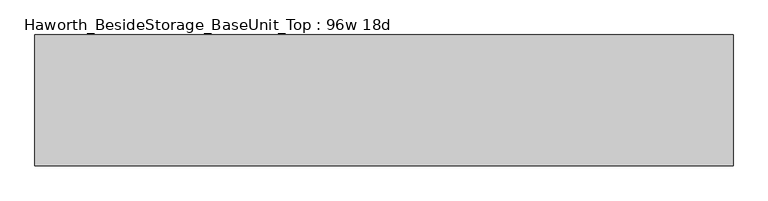
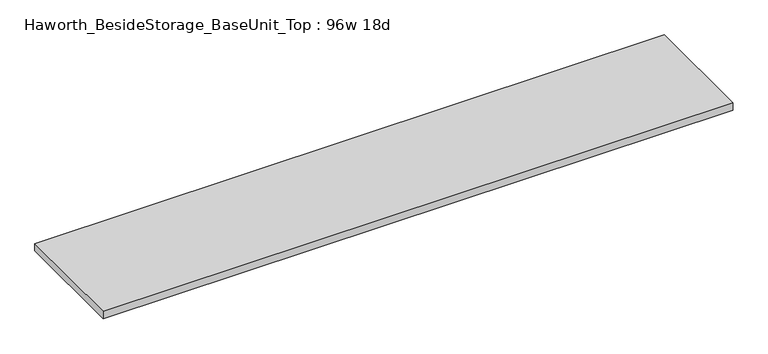
"""IFC4 building model written with IfcOpenShell, lengths in millimetres: furniture geometry, Haworth_BesideStorage_BaseUnit_Top : 96w 18d."""

from ifc_helpers import new_model, si_unit, frame, origin, place, context, project, spatial, polyline, outline, extrude, source, transform, mapped, element, save


def haworth_besidestorage_baseunit_top_96w_18d_567cc7db(model_context):
    return source(origin(), model_context, "Body", "SweptSolid", [
        extrude(outline(polyline([(1219.2, 228.6), (1219.2, -228.6), (-1219.2, -228.6), (-1219.2, 228.6), (1219.2, 228.6)])), frame((0.0, 0.0, 706.4375), z_axis=(0.0, 0.0, 1.0), x_axis=(1.0, 0.0, 0.0)), (0.0, 0.0, 1.0), 30.1625),
    ])


if __name__ == "__main__":
    model = new_model("IFC4")
    model_context = context("Model", 3, world=origin())
    ifc_project = project(units=[si_unit("LENGTHUNIT", "METRE", prefix="MILLI")], contexts=[model_context])
    site = spatial("IfcSite", under=ifc_project)
    building = spatial("IfcBuilding", under=site)
    placement = place(None, origin())
    haworth_besidestorage_baseunit_top_96w_18d_shape = haworth_besidestorage_baseunit_top_96w_18d_567cc7db(model_context)
    element("IfcFurniture", 1, ObjectType="Haworth_BesideStorage_BaseUnit_Top : 96w 18d", at=placement, inside=building, context=model_context, shape_type="MappedRepresentation", body=[
        mapped(haworth_besidestorage_baseunit_top_96w_18d_shape, transform((0.0, 0.0, 0.0), x_axis=(1.0, 0.0, 0.0), y_axis=(0.0, 1.0, 0.0), z_axis=(0.0, 0.0, 1.0))),
    ])
    save(model, "model.ifc")
